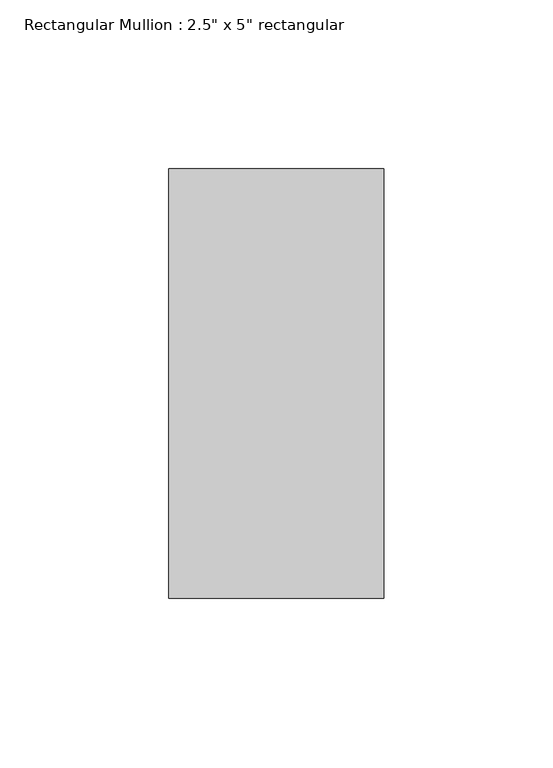
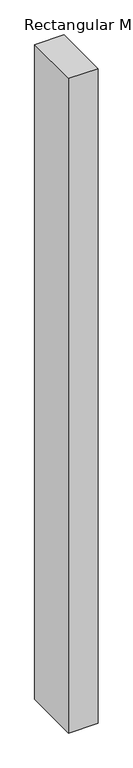
"""IFC4 building model written with IfcOpenShell, lengths in millimetres: member geometry."""

import ifcopenshell
import ifcopenshell.guid

model = None  # the IFC model being written
_history = None  # IfcOwnerHistory: only IFC2X3 demands one
_inside = {}  # id of a spatial element -> (the spatial element, [elements in it])
_under = {}  # id of a project, library or spatial element -> (it, [spatial elements below it])
_declared = {}  # id of a project -> (the project, [libraries it declares])
_typed = {}  # id of a type object -> (the type object, [elements of that type])
_made_of = {}  # id of a material, layer set ... -> (it, [elements and type objects made of it])


def new_model(schema):
    """Start an empty IFC model of exactly this schema.

    Asked for "IFC4X3", IfcOpenShell would pick the latest addendum, in which some entities
    have other attributes; the version numbers below select the first issue.
    IFC2X3 requires an IfcOwnerHistory on every rooted entity: one is made here for all.
    """
    global model, _history
    if schema == "IFC4X3":
        model = ifcopenshell.file(schema_version=(4, 3, 0, 0))
    else:
        model = ifcopenshell.file(schema=schema)
    _inside.clear()
    _under.clear()
    _declared.clear()
    _typed.clear()
    _made_of.clear()
    _history = None
    if model.schema == "IFC2X3":
        org = make("IfcOrganization", Name="unknown")
        user = make(
            "IfcPersonAndOrganization",
            ThePerson=make("IfcPerson", FamilyName="unknown"),
            TheOrganization=org,
        )
        app = make(
            "IfcApplication",
            ApplicationDeveloper=org,
            Version="unknown",
            ApplicationFullName="unknown",
            ApplicationIdentifier="unknown",
        )
        _history = make(
            "IfcOwnerHistory",
            OwningUser=user,
            OwningApplication=app,
            ChangeAction="ADDED",
            CreationDate=0,
        )
    return model


def make(cls, **values):
    """One entity of the class cls with the attributes given. An attribute that is None is left unset."""
    return model.create_entity(
        cls, **{name: value for name, value in values.items() if value is not None}
    )


def rooted(cls, **values):
    """An entity with a GlobalId (a new one), such as an element, a storey or a relation."""
    return make(cls, GlobalId=ifcopenshell.guid.new(), OwnerHistory=_history, **values)


def si_unit(unit_type, name, prefix=None):
    """IfcSIUnit, for example si_unit("LENGTHUNIT", "METRE", prefix="MILLI")."""
    return make("IfcSIUnit", UnitType=unit_type, Prefix=prefix, Name=name)


def assignment(units):
    """IfcUnitAssignment: the units of a project."""
    return None if units is None else make("IfcUnitAssignment", Units=units)


def point(xyz):
    """IfcCartesianPoint."""
    return None if xyz is None else make("IfcCartesianPoint", Coordinates=xyz)


def direction(xyz):
    """IfcDirection."""
    return None if xyz is None else make("IfcDirection", DirectionRatios=xyz)


def frame(location, z_axis=None, x_axis=None):
    """IfcAxis2Placement3D, a coordinate frame: its origin and axes. An axis left out is left unset."""
    return make(
        "IfcAxis2Placement3D",
        Location=point(location),
        Axis=direction(z_axis),
        RefDirection=direction(x_axis),
    )


def origin():
    """The frame at (0, 0, 0) with its axes left unset."""
    return frame((0.0, 0.0, 0.0))


def place(relative_to, where):
    """IfcLocalPlacement: puts the frame where relative to a parent placement (None: the world)."""
    return make(
        "IfcLocalPlacement", PlacementRelTo=relative_to, RelativePlacement=where
    )


def context(
    kind, dimensions, precision=None, world=None, true_north=None, identifier=None
):
    """IfcGeometricRepresentationContext, for example the 3D "Model" context."""
    return make(
        "IfcGeometricRepresentationContext",
        ContextIdentifier=identifier,
        ContextType=kind,
        CoordinateSpaceDimension=dimensions,
        Precision=precision,
        WorldCoordinateSystem=world,
        TrueNorth=true_north,
    )


def project(units=None, contexts=None):
    """IfcProject with its units and contexts."""
    return rooted(
        "IfcProject",
        Name="project",
        RepresentationContexts=contexts,
        UnitsInContext=assignment(units),
    )


def spatial(cls, under=None, at=None, **own):
    """A site, building, storey or space (cls), placed at a placement, below another one or the project."""
    s = rooted(cls, ObjectPlacement=at, **own)
    if under is not None:
        _under.setdefault(under.id(), (under, []))[1].append(s)
    return s


def polyline(points):
    """IfcPolyline through the points."""
    return make("IfcPolyline", Points=[point(p) for p in points])


def outline(outer, holes=None, kind="AREA"):
    """IfcArbitraryClosedProfileDef: a profile drawn as a closed curve; with holes, ...WithVoids."""
    if holes is None:
        return make("IfcArbitraryClosedProfileDef", ProfileType=kind, OuterCurve=outer)
    return make(
        "IfcArbitraryProfileDefWithVoids",
        ProfileType=kind,
        OuterCurve=outer,
        InnerCurves=holes,
    )


def extrude(swept, where, along, depth):
    """IfcExtrudedAreaSolid: the profile swept, set in the frame where, extruded along a direction by depth."""
    return make(
        "IfcExtrudedAreaSolid",
        SweptArea=swept,
        Position=where,
        ExtrudedDirection=direction(along),
        Depth=depth,
    )


def shape(context_of_items, identifier, shape_type, items):
    """IfcShapeRepresentation: the items that make up one representation, for example the "Body"."""
    return make(
        "IfcShapeRepresentation",
        ContextOfItems=context_of_items,
        RepresentationIdentifier=identifier,
        RepresentationType=shape_type,
        Items=items,
    )


def source(mapping_origin, context_of_items, identifier, shape_type, items):
    """IfcRepresentationMap: a shape defined once, which mapped items show again and again."""
    return make(
        "IfcRepresentationMap",
        MappingOrigin=mapping_origin,
        MappedRepresentation=shape(context_of_items, identifier, shape_type, items),
    )


def transform(
    local_origin,
    x_axis=None,
    y_axis=None,
    z_axis=None,
    scale=None,
    scale2=None,
    scale3=None,
    uniform=True,
):
    """IfcCartesianTransformationOperator3D, or its non-uniform kind. x_axis, y_axis, z_axis: its Axis1, 2, 3."""
    if uniform:
        return make(
            "IfcCartesianTransformationOperator3D",
            Axis1=direction(x_axis),
            Axis2=direction(y_axis),
            LocalOrigin=point(local_origin),
            Scale=scale,
            Axis3=direction(z_axis),
        )
    return make(
        "IfcCartesianTransformationOperator3DnonUniform",
        Axis1=direction(x_axis),
        Axis2=direction(y_axis),
        LocalOrigin=point(local_origin),
        Scale=scale,
        Axis3=direction(z_axis),
        Scale2=scale2,
        Scale3=scale3,
    )


def mapped(mapping_source, mapping_target):
    """IfcMappedItem: shows the shape of a source again, moved by a transform."""
    return make(
        "IfcMappedItem", MappingSource=mapping_source, MappingTarget=mapping_target
    )


def made_of(thing, what):
    """Note that an element or type object is made of a material, layer set ...; save() writes the relation."""
    if what is not None:
        _made_of.setdefault(what.id(), (what, []))[1].append(thing)
    return thing


def element(
    cls,
    number,
    at=None,
    inside=None,
    cuts=None,
    type_object=None,
    material=None,
    context=None,
    identifier="Body",
    shape_type=None,
    held_by="IfcProductDefinitionShape",
    body=None,
    shapes=None,
    **own,
):
    """One element of the class cls, such as IfcWall. Its Tag is "e" and its number.

    at: its placement. inside: the storey or other place that contains it. cuts: it is an
    opening in that element (IfcRelVoidsElement). A single representation is given by context,
    identifier, shape_type and body (its items); several are given by shapes. held_by: the class
    of the entity that holds the representations. save() writes the other relations.
    """
    e = rooted(cls, Tag="e%d" % number, ObjectPlacement=at, **own)
    if body is not None:
        shapes = [shape(context, identifier, shape_type, body)]
    if shapes is not None:
        e.Representation = make(held_by, Representations=shapes)
    if inside is not None:
        _inside.setdefault(inside.id(), (inside, []))[1].append(e)
    if cuts is not None:
        rooted(
            "IfcRelVoidsElement", RelatingBuildingElement=cuts, RelatedOpeningElement=e
        )
    if type_object is not None:
        _typed.setdefault(type_object.id(), (type_object, []))[1].append(e)
    return made_of(e, material)


def aggregate(whole, parts):
    """IfcRelAggregates: a whole, such as a stair, and the parts it consists of."""
    return rooted("IfcRelAggregates", RelatingObject=whole, RelatedObjects=parts)


def save(model, path):
    """Write the relations noted so far, then the file.

    IfcRelAggregates (storeys below a building ...), IfcRelContainedInSpatialStructure (elements
    in a storey), IfcRelDefinesByType, IfcRelAssociatesMaterial and IfcRelDeclares: one each for
    every whole, place, type object, material and project.
    """
    for whole, parts in _under.values():
        aggregate(whole, parts)
    for where, things in _inside.values():
        rooted(
            "IfcRelContainedInSpatialStructure",
            RelatedElements=things,
            RelatingStructure=where,
        )
    for kind, things in _typed.values():
        rooted("IfcRelDefinesByType", RelatedObjects=things, RelatingType=kind)
    for what, things in _made_of.values():
        rooted("IfcRelAssociatesMaterial", RelatedObjects=things, RelatingMaterial=what)
    for by, libraries in _declared.values():
        rooted("IfcRelDeclares", RelatingContext=by, RelatedDefinitions=libraries)
    model.write(path)


def member_2d4ea0a6(model_context):
    return source(origin(), model_context, "Body", "SweptSolid", [
        extrude(outline(polyline([(31.75, 63.5), (31.75, -63.5), (-31.75, -63.5), (-31.75, 63.5), (31.75, 63.5)])), frame((0.0, 0.0, -1497.4683715), z_axis=(0.0, 0.0, 1.0), x_axis=(1.0, 0.0, 0.0)), (0.0, 0.0, 1.0), 1497.4683715),
    ])


if __name__ == "__main__":
    model = new_model("IFC4")
    model_context = context("Model", 3, world=origin())
    ifc_project = project(units=[si_unit("LENGTHUNIT", "METRE", prefix="MILLI")], contexts=[model_context])
    site = spatial("IfcSite", under=ifc_project)
    building = spatial("IfcBuilding", under=site)
    placement = place(None, origin())
    member_shape = member_2d4ea0a6(model_context)
    element("IfcMember", 1, ObjectType="Rectangular Mullion : 2.5\" x 5\" rectangular", at=placement, inside=building, context=model_context, shape_type="MappedRepresentation", body=[
        mapped(member_shape, transform((0.0, 0.0, 0.0), x_axis=(1.0, 0.0, 0.0), y_axis=(0.0, 1.0, 0.0), z_axis=(0.0, 0.0, 1.0))),
    ])
    save(model, "model.ifc")
